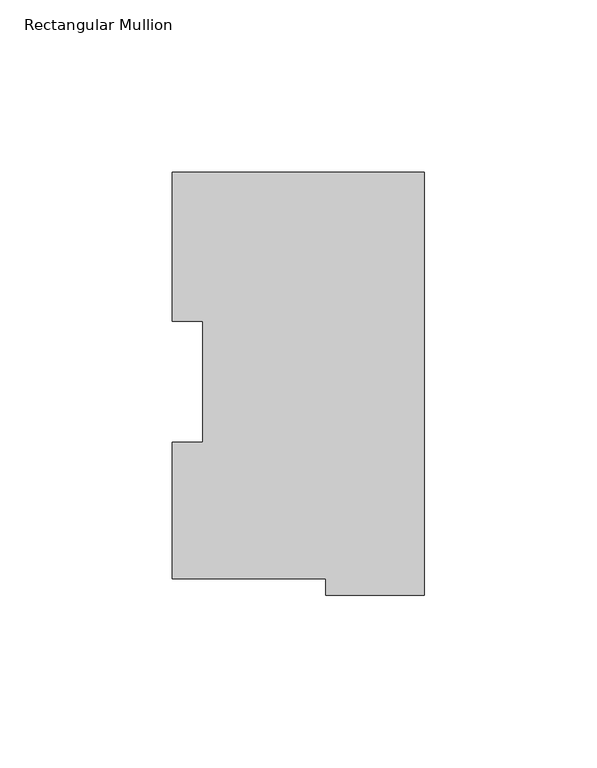
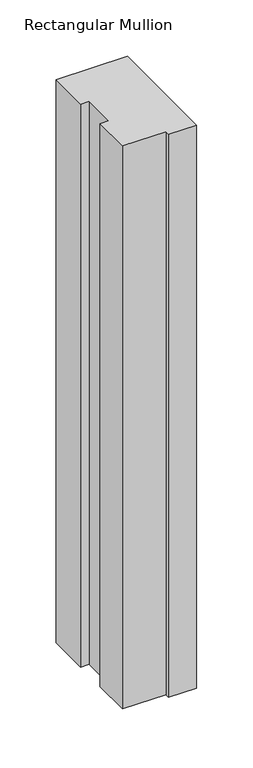
"""IFC4 building model written with IfcOpenShell, lengths in millimetres: member geometry, Rectangular Mullion."""

from ifc_helpers import new_model, si_unit, frame, origin, place, context, project, spatial, polyline, outline, extrude, source, transform, mapped, element, save


def rectangular_mullion_8ed432d2(model_context):
    return source(origin(), model_context, "Body", "SweptSolid", [
        extrude(outline(polyline([(-73.025, 117.6289875), (0.0, 117.6289875), (0.0, -4.9768125), (-28.575, -4.9768125), (-28.575, -0.2270125), (-73.025, -0.2270125), (-73.025, 39.4477875), (-64.2874, 39.4477875), (-64.2874, 74.3981875), (-73.025, 74.3981875), (-73.025, 117.6289875)])), frame((0.0, 0.0, -609.6), z_axis=(0.0, 0.0, 1.0), x_axis=(1.0, 0.0, 0.0)), (0.0, 0.0, 1.0), 609.6),
    ])


if __name__ == "__main__":
    model = new_model("IFC4")
    model_context = context("Model", 3, world=origin())
    ifc_project = project(units=[si_unit("LENGTHUNIT", "METRE", prefix="MILLI")], contexts=[model_context])
    site = spatial("IfcSite", under=ifc_project)
    building = spatial("IfcBuilding", under=site)
    placement = place(None, origin())
    rectangular_mullion_shape = rectangular_mullion_8ed432d2(model_context)
    element("IfcMember", 1, ObjectType="Rectangular Mullion", at=placement, inside=building, context=model_context, shape_type="MappedRepresentation", body=[
        mapped(rectangular_mullion_shape, transform((0.0, 0.0, 0.0), x_axis=(1.0, 0.0, 0.0), y_axis=(0.0, 1.0, 0.0), z_axis=(0.0, 0.0, 1.0))),
    ])
    save(model, "model.ifc")
